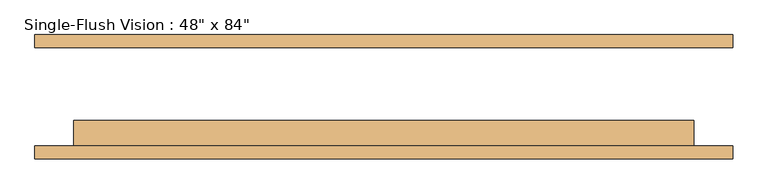
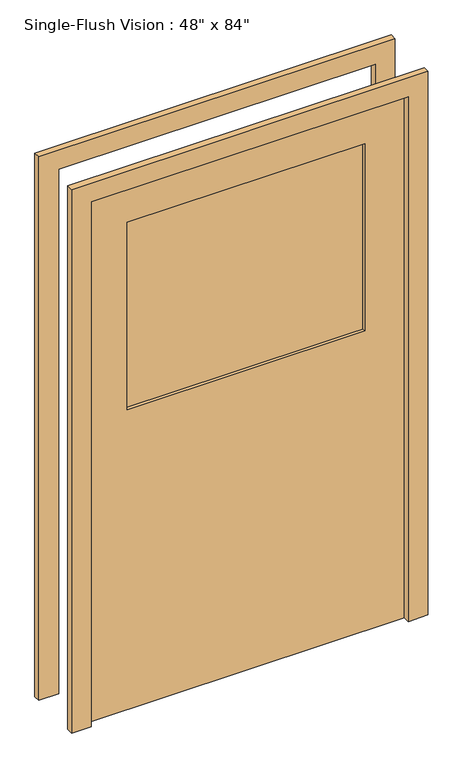
"""IFC4 building model written with IfcOpenShell, lengths in millimetres: door geometry."""

from ifc_helpers import new_model, si_unit, frame, origin, place, context, project, spatial, polyline, outline, extrude, source, transform, mapped, element, save


def door_13d6d233(model_context):
    return source(origin(), model_context, "Body", "SweptSolid", [
        extrude(outline(polyline([(2209.8, -685.8), (0.0, -685.8), (0.0, -609.6), (2133.6, -609.6), (2133.6, 609.6), (0.0, 609.6), (0.0, 685.8), (2209.8, 685.8), (2209.8, -685.8)])), frame((0.0, -122.2375, 0.0), z_axis=(0.0, 1.0, 0.0), x_axis=(0.0, 0.0, 1.0)), (0.0, 0.0, 1.0), 25.4),
        extrude(outline(polyline([(2133.6, 609.6), (0.0, 609.6), (0.0, 685.8), (2209.8, 685.8), (2209.8, -685.8), (0.0, -685.8), (0.0, -609.6), (2133.6, -609.6), (2133.6, 609.6)])), frame((0.0, 96.8375, 0.0), z_axis=(0.0, 1.0, 0.0), x_axis=(0.0, 0.0, 1.0)), (0.0, 0.0, 1.0), 25.4),
        extrude(outline(polyline([(457.2, -58.7375), (457.2, -65.0875), (-457.2, -65.0875), (-457.2, -58.7375), (457.2, -58.7375)])), frame((0.0, 0.0, 1219.2), z_axis=(0.0, 0.0, 1.0), x_axis=(1.0, 0.0, 0.0)), (0.0, 0.0, 1.0), 762.0),
        extrude(outline(polyline([(457.2, -77.7875), (457.2, -84.1375), (-457.2, -84.1375), (-457.2, -77.7875), (457.2, -77.7875)])), frame((0.0, 0.0, 1219.2), z_axis=(0.0, 0.0, 1.0), x_axis=(1.0, 0.0, 0.0)), (0.0, 0.0, 1.0), 762.0),
        extrude(outline(polyline([(2133.6, -609.6), (0.0, -609.6), (0.0, 609.6), (2133.6, 609.6), (2133.6, -609.6)]), holes=[polyline([(1981.2, -457.2), (1981.2, 457.2), (1219.2, 457.2), (1219.2, -457.2), (1981.2, -457.2)])]), frame((0.0, -96.8375, 0.0), z_axis=(0.0, 1.0, 0.0), x_axis=(0.0, 0.0, 1.0)), (0.0, 0.0, 1.0), 50.8),
    ])


if __name__ == "__main__":
    model = new_model("IFC4")
    model_context = context("Model", 3, world=origin())
    ifc_project = project(units=[si_unit("LENGTHUNIT", "METRE", prefix="MILLI")], contexts=[model_context])
    site = spatial("IfcSite", under=ifc_project)
    building = spatial("IfcBuilding", under=site)
    placement = place(None, origin())
    door_shape = door_13d6d233(model_context)
    element("IfcDoor", 1, ObjectType="Single-Flush Vision : 48\" x 84\"", at=placement, inside=building, context=model_context, shape_type="MappedRepresentation", body=[
        mapped(door_shape, transform((0.0, 0.0, 0.0), x_axis=(1.0, 0.0, 0.0), y_axis=(0.0, 1.0, 0.0), z_axis=(0.0, 0.0, 1.0))),
    ])
    save(model, "model.ifc")
